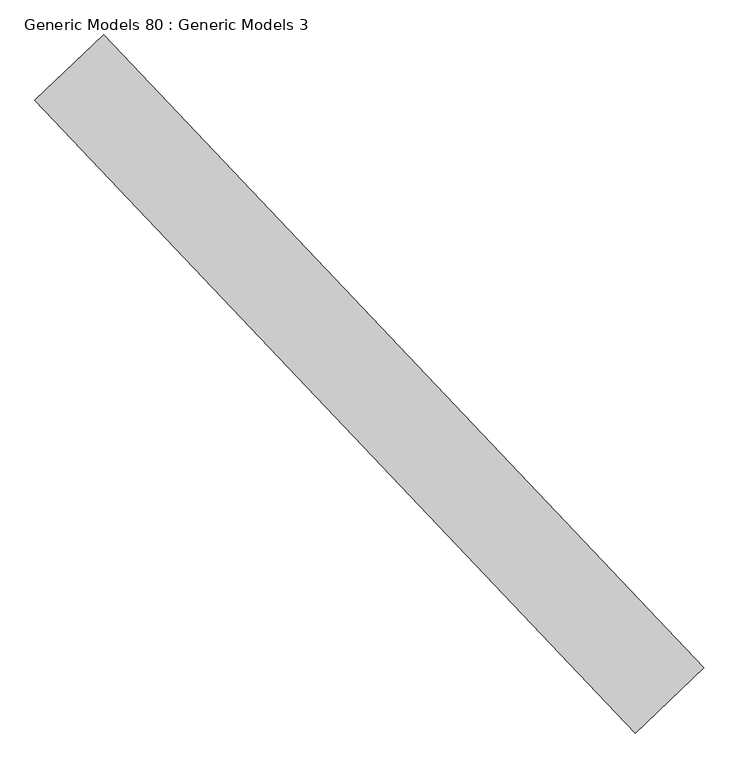
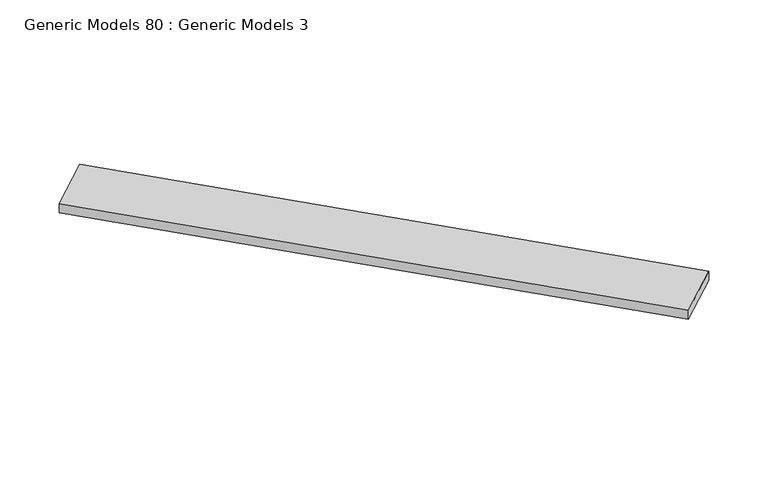
"""IFC4 building model written with IfcOpenShell, lengths in millimetres: proxy geometry, Generic Models 80 : Generic Models 3."""

from ifc_helpers import new_model, si_unit, frame, origin, place, context, project, spatial, polyline, outline, extrude, source, transform, mapped, element, save


def generic_models_80_generic_models_3_4bc750cf(model_context):
    return source(origin(), model_context, "Body", "SweptSolid", [
        extrude(outline(polyline([(110196.883742, 56874.3318799), (110553.0271355, 57212.299341), (113671.7724205, 53925.8275439), (113315.629027, 53587.8600828), (110196.883742, 56874.3318799)])), frame((0.0, 0.0, 17748.1760048), z_axis=(0.0, 0.0, 1.0), x_axis=(1.0, 0.0, 0.0)), (0.0, 0.0, 1.0), 76.2),
    ])


if __name__ == "__main__":
    model = new_model("IFC4")
    model_context = context("Model", 3, world=origin())
    ifc_project = project(units=[si_unit("LENGTHUNIT", "METRE", prefix="MILLI")], contexts=[model_context])
    site = spatial("IfcSite", under=ifc_project)
    building = spatial("IfcBuilding", under=site)
    placement = place(None, origin())
    generic_models_80_generic_models_3_shape = generic_models_80_generic_models_3_4bc750cf(model_context)
    element("IfcBuildingElementProxy", 1, Name="Generic Models 80 : Generic Models 3", ObjectType="Generic Models 80 : Generic Models 3", at=placement, inside=building, context=model_context, shape_type="MappedRepresentation", body=[
        mapped(generic_models_80_generic_models_3_shape, transform((0.0, 0.0, 0.0), x_axis=(1.0, 0.0, 0.0), y_axis=(0.0, 1.0, 0.0), z_axis=(0.0, 0.0, 1.0))),
    ])
    save(model, "model.ifc")
